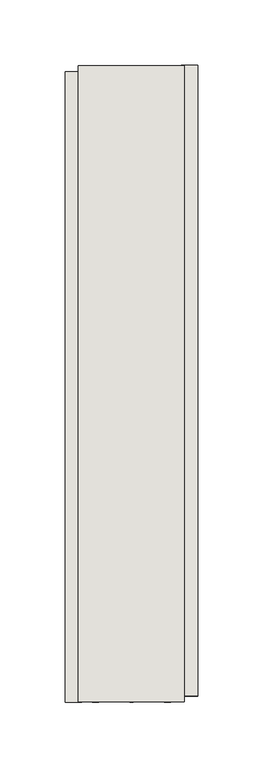
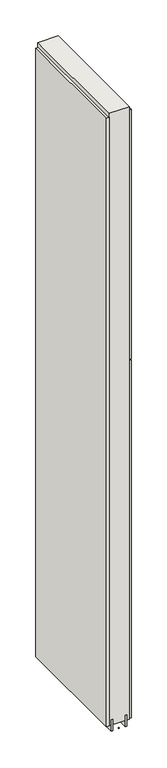
"""IFC4 building model written with IfcOpenShell, lengths in millimetres: wall geometry."""

from ifc_helpers import new_model, si_unit, frame, origin, place, context, project, spatial, polyline, outline, extrude, source, transform, mapped, element, save


def wall_a4d95542(model_context):
    return source(origin(), model_context, "Body", "SweptSolid", [
        extrude(outline(polyline([(67489.742211, -56265.879086), (67489.742211, -56263.339086), (67492.282211, -56263.339086), (67492.282211, -56265.879086), (67489.742211, -56265.879086)])), frame((0.0, 0.0, 4419.6), z_axis=(0.0, 0.0, 1.0), x_axis=(1.0, 0.0, 0.0)), (0.0, 0.0, 1.0), 2.54),
        extrude(outline(polyline([(67541.812211, -55777.7355233), (67541.812211, -56261.4164203), (67529.112211, -56261.4164203), (67529.112211, -55777.7355233), (67541.812211, -55777.7355233)])), frame((0.0, 0.0, 5945.6000722), z_axis=(0.0, 0.0, 1.0), x_axis=(1.0, 0.0, 0.0)), (0.0, 0.0, 1.0), 1044.449905),
        extrude(outline(polyline([(67541.812211, -55777.7355233), (67541.812211, -56261.4164203), (67529.112211, -56261.4164203), (67529.112211, -55777.7355233), (67541.812211, -55777.7355233)])), frame((0.0, 0.0, 4445.0), z_axis=(0.0, 0.0, 1.0), x_axis=(1.0, 0.0, 0.0)), (0.0, 0.0, 1.0), 1496.600004),
        extrude(outline(polyline([(67440.212211, -56266.3463571), (67440.212211, -55782.6654601), (67452.912211, -55782.6654601), (67452.912211, -56266.3463571), (67440.212211, -56266.3463571)])), frame((0.0, 0.0, 4445.0), z_axis=(0.0, 0.0, 1.0), x_axis=(1.0, 0.0, 0.0)), (0.0, 0.0, 1.0), 2545.0498756),
        extrude(outline(polyline([(67516.0959556, -56265.874133), (67516.0959556, -55778.1953522), (67521.174711, -55778.1953522), (67521.174711, -56265.874133), (67516.0959556, -56265.874133)])), frame((0.0, 0.0, 4418.6602), z_axis=(0.0, 0.0, 1.0), x_axis=(1.0, 0.0, 0.0)), (0.0, 0.0, 1.0), 47.625),
        extrude(outline(polyline([(67516.0959556, -56265.874133), (67516.0959556, -55778.1953522), (67521.174711, -55778.1953522), (67521.174711, -56265.874133), (67516.0959556, -56265.874133)])), frame((0.0, 0.0, 4418.6602), z_axis=(0.0, 0.0, 1.0), x_axis=(1.0, 0.0, 0.0)), (0.0, 0.0, 1.0), 47.625),
        extrude(outline(polyline([(67465.9284664, -55778.1953522), (67465.9284664, -56265.874133), (67460.849711, -56265.874133), (67460.849711, -55778.1953522), (67465.9284664, -55778.1953522)])), frame((0.0, 0.0, 4418.6602), z_axis=(0.0, 0.0, 1.0), x_axis=(1.0, 0.0, 0.0)), (0.0, 0.0, 1.0), 47.625),
        extrude(outline(polyline([(67465.9284664, -55778.1953522), (67465.9284664, -56265.874133), (67460.849711, -56265.874133), (67460.849711, -55778.1953522), (67465.9284664, -55778.1953522)])), frame((0.0, 0.0, 4418.6602), z_axis=(0.0, 0.0, 1.0), x_axis=(1.0, 0.0, 0.0)), (0.0, 0.0, 1.0), 47.625),
        extrude(outline(polyline([(67531.6670954, -56265.874133), (67450.3573266, -56265.874133), (67450.3573266, -55778.1953522), (67531.6670954, -55778.1953522), (67531.6670954, -56265.874133)])), frame((0.0, 0.0, 4445.0), z_axis=(0.0, 0.0, 1.0), x_axis=(1.0, 0.0, 0.0)), (0.0, 0.0, 1.0), 2562.4536762),
    ])


if __name__ == "__main__":
    model = new_model("IFC4")
    model_context = context("Model", 3, world=origin())
    ifc_project = project(units=[si_unit("LENGTHUNIT", "METRE", prefix="MILLI")], contexts=[model_context])
    site = spatial("IfcSite", under=ifc_project)
    building = spatial("IfcBuilding", under=site)
    placement = place(None, origin())
    wall_shape = wall_a4d95542(model_context)
    element("IfcWall", 1, at=placement, inside=building, context=model_context, shape_type="MappedRepresentation", body=[
        mapped(wall_shape, transform((0.0, 0.0, 0.0), x_axis=(1.0, 0.0, 0.0), y_axis=(0.0, 1.0, 0.0), z_axis=(0.0, 0.0, 1.0))),
    ])
    save(model, "model.ifc")
